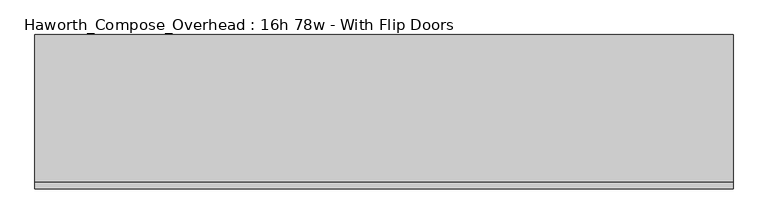
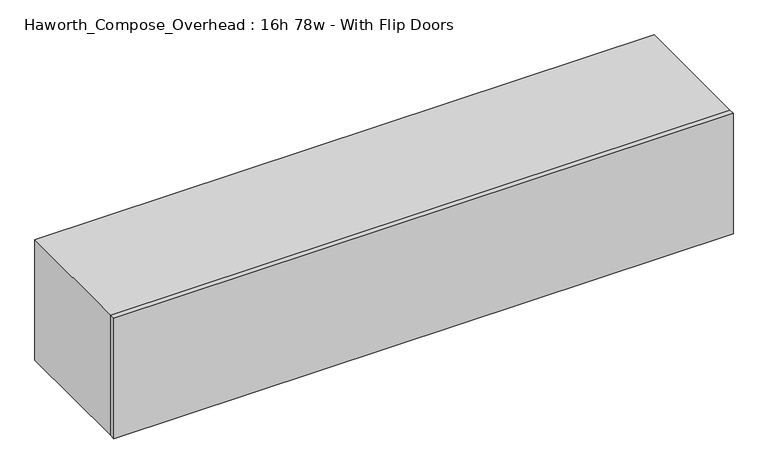
"""IFC4 building model written with IfcOpenShell, lengths in millimetres: furniture geometry, Haworth_Compose_Overhead : 16h 78w - With Flip Doors."""

from ifc_helpers import new_model, si_unit, frame, origin, place, context, project, spatial, polyline, outline, extrude, source, transform, mapped, element, save


def haworth_compose_overhead_16h_78w_with_flip_doors_a26c41a5(model_context):
    return source(origin(), model_context, "Body", "SweptSolid", [
        extrude(outline(polyline([(1155.7, -438.15), (-825.5, -438.15), (-825.5, -419.1), (1155.7, -419.1), (1155.7, -438.15)])), frame((0.0, 0.0, 1270.0), z_axis=(0.0, 0.0, 1.0), x_axis=(1.0, 0.0, 0.0)), (0.0, 0.0, 1.0), 406.4),
        extrude(outline(polyline([(1130.3, -6.35), (-800.1, -6.35), (-800.1, 0.0), (1130.3, 0.0), (1130.3, -6.35)])), frame((0.0, 0.0, 1295.4), z_axis=(0.0, 0.0, 1.0), x_axis=(1.0, 0.0, 0.0)), (0.0, 0.0, 1.0), 355.6),
        extrude(outline(polyline([(1270.0, 1155.7), (1676.4, 1155.7), (1676.4, -825.5), (1270.0, -825.5), (1270.0, 1155.7)]), holes=[polyline([(1651.0, 1130.3), (1295.4, 1130.3), (1295.4, -800.1), (1651.0, -800.1), (1651.0, 1130.3)])]), frame((0.0, -419.1, 0.0), z_axis=(0.0, 1.0, 0.0), x_axis=(0.0, 0.0, 1.0)), (0.0, 0.0, 1.0), 419.1),
    ])


if __name__ == "__main__":
    model = new_model("IFC4")
    model_context = context("Model", 3, world=origin())
    ifc_project = project(units=[si_unit("LENGTHUNIT", "METRE", prefix="MILLI")], contexts=[model_context])
    site = spatial("IfcSite", under=ifc_project)
    building = spatial("IfcBuilding", under=site)
    placement = place(None, origin())
    haworth_compose_overhead_16h_78w_with_flip_doors_shape = haworth_compose_overhead_16h_78w_with_flip_doors_a26c41a5(model_context)
    element("IfcFurniture", 1, ObjectType="Haworth_Compose_Overhead : 16h 78w - With Flip Doors", at=placement, inside=building, context=model_context, shape_type="MappedRepresentation", body=[
        mapped(haworth_compose_overhead_16h_78w_with_flip_doors_shape, transform((0.0, 0.0, 0.0), x_axis=(1.0, 0.0, 0.0), y_axis=(0.0, 1.0, 0.0), z_axis=(0.0, 0.0, 1.0))),
    ])
    save(model, "model.ifc")
